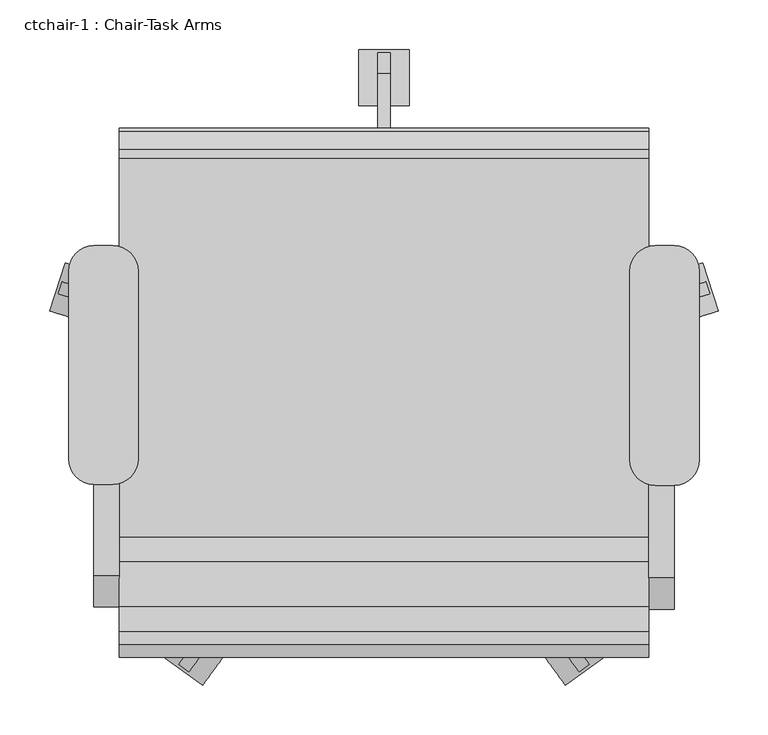
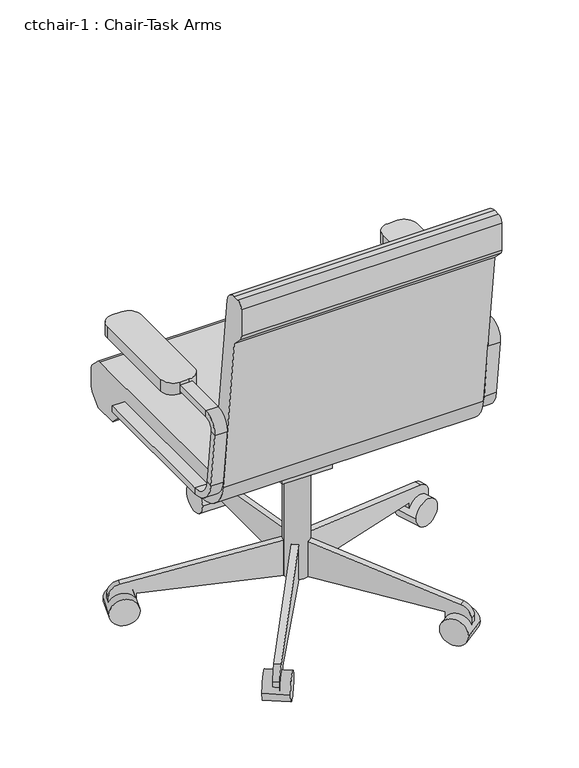
"""IFC4 building model written with IfcOpenShell, lengths in millimetres: furniture geometry, ctchair-1 : Chair-Task Arms."""

import ifcopenshell
import ifcopenshell.guid

model = None  # the IFC model being written
_history = None  # IfcOwnerHistory: only IFC2X3 demands one
_inside = {}  # id of a spatial element -> (the spatial element, [elements in it])
_under = {}  # id of a project, library or spatial element -> (it, [spatial elements below it])
_declared = {}  # id of a project -> (the project, [libraries it declares])
_typed = {}  # id of a type object -> (the type object, [elements of that type])
_made_of = {}  # id of a material, layer set ... -> (it, [elements and type objects made of it])


def new_model(schema):
    """Start an empty IFC model of exactly this schema.

    Asked for "IFC4X3", IfcOpenShell would pick the latest addendum, in which some entities
    have other attributes; the version numbers below select the first issue.
    IFC2X3 requires an IfcOwnerHistory on every rooted entity: one is made here for all.
    """
    global model, _history
    if schema == "IFC4X3":
        model = ifcopenshell.file(schema_version=(4, 3, 0, 0))
    else:
        model = ifcopenshell.file(schema=schema)
    _inside.clear()
    _under.clear()
    _declared.clear()
    _typed.clear()
    _made_of.clear()
    _history = None
    if model.schema == "IFC2X3":
        org = make("IfcOrganization", Name="unknown")
        user = make(
            "IfcPersonAndOrganization",
            ThePerson=make("IfcPerson", FamilyName="unknown"),
            TheOrganization=org,
        )
        app = make(
            "IfcApplication",
            ApplicationDeveloper=org,
            Version="unknown",
            ApplicationFullName="unknown",
            ApplicationIdentifier="unknown",
        )
        _history = make(
            "IfcOwnerHistory",
            OwningUser=user,
            OwningApplication=app,
            ChangeAction="ADDED",
            CreationDate=0,
        )
    return model


def make(cls, **values):
    """One entity of the class cls with the attributes given. An attribute that is None is left unset."""
    return model.create_entity(
        cls, **{name: value for name, value in values.items() if value is not None}
    )


def rooted(cls, **values):
    """An entity with a GlobalId (a new one), such as an element, a storey or a relation."""
    return make(cls, GlobalId=ifcopenshell.guid.new(), OwnerHistory=_history, **values)


def si_unit(unit_type, name, prefix=None):
    """IfcSIUnit, for example si_unit("LENGTHUNIT", "METRE", prefix="MILLI")."""
    return make("IfcSIUnit", UnitType=unit_type, Prefix=prefix, Name=name)


def assignment(units):
    """IfcUnitAssignment: the units of a project."""
    return None if units is None else make("IfcUnitAssignment", Units=units)


def point(xyz):
    """IfcCartesianPoint."""
    return None if xyz is None else make("IfcCartesianPoint", Coordinates=xyz)


def direction(xyz):
    """IfcDirection."""
    return None if xyz is None else make("IfcDirection", DirectionRatios=xyz)


def frame(location, z_axis=None, x_axis=None):
    """IfcAxis2Placement3D, a coordinate frame: its origin and axes. An axis left out is left unset."""
    return make(
        "IfcAxis2Placement3D",
        Location=point(location),
        Axis=direction(z_axis),
        RefDirection=direction(x_axis),
    )


def frame_2d(location, x_axis=None):
    """IfcAxis2Placement2D, a coordinate frame in the plane: its origin and x axis."""
    return make(
        "IfcAxis2Placement2D", Location=point(location), RefDirection=direction(x_axis)
    )


def origin():
    """The frame at (0, 0, 0) with its axes left unset."""
    return frame((0.0, 0.0, 0.0))


def place(relative_to, where):
    """IfcLocalPlacement: puts the frame where relative to a parent placement (None: the world)."""
    return make(
        "IfcLocalPlacement", PlacementRelTo=relative_to, RelativePlacement=where
    )


def context(
    kind, dimensions, precision=None, world=None, true_north=None, identifier=None
):
    """IfcGeometricRepresentationContext, for example the 3D "Model" context."""
    return make(
        "IfcGeometricRepresentationContext",
        ContextIdentifier=identifier,
        ContextType=kind,
        CoordinateSpaceDimension=dimensions,
        Precision=precision,
        WorldCoordinateSystem=world,
        TrueNorth=true_north,
    )


def project(units=None, contexts=None):
    """IfcProject with its units and contexts."""
    return rooted(
        "IfcProject",
        Name="project",
        RepresentationContexts=contexts,
        UnitsInContext=assignment(units),
    )


def spatial(cls, under=None, at=None, **own):
    """A site, building, storey or space (cls), placed at a placement, below another one or the project."""
    s = rooted(cls, ObjectPlacement=at, **own)
    if under is not None:
        _under.setdefault(under.id(), (under, []))[1].append(s)
    return s


def polyline(points):
    """IfcPolyline through the points."""
    return make("IfcPolyline", Points=[point(p) for p in points])


def circle_curve(where, radius):
    """IfcCircle in the frame where."""
    return make("IfcCircle", Position=where, Radius=radius)


def trimmed(basis, trim1, trim2, sense, master):
    """IfcTrimmedCurve: the piece of a basis curve between two trims."""
    return make(
        "IfcTrimmedCurve",
        BasisCurve=basis,
        Trim1=trim1,
        Trim2=trim2,
        SenseAgreement=sense,
        MasterRepresentation=master,
    )


def segment(curve, same_sense, transition):
    """IfcCompositeCurveSegment."""
    return make(
        "IfcCompositeCurveSegment",
        Transition=transition,
        SameSense=same_sense,
        ParentCurve=curve,
    )


def composite_curve(segments, self_intersect=None):
    """IfcCompositeCurve: segments joined end to end."""
    return make("IfcCompositeCurve", Segments=segments, SelfIntersect=self_intersect)


def outline(outer, holes=None, kind="AREA"):
    """IfcArbitraryClosedProfileDef: a profile drawn as a closed curve; with holes, ...WithVoids."""
    if holes is None:
        return make("IfcArbitraryClosedProfileDef", ProfileType=kind, OuterCurve=outer)
    return make(
        "IfcArbitraryProfileDefWithVoids",
        ProfileType=kind,
        OuterCurve=outer,
        InnerCurves=holes,
    )


def extrude(swept, where, along, depth):
    """IfcExtrudedAreaSolid: the profile swept, set in the frame where, extruded along a direction by depth."""
    return make(
        "IfcExtrudedAreaSolid",
        SweptArea=swept,
        Position=where,
        ExtrudedDirection=direction(along),
        Depth=depth,
    )


def shape(context_of_items, identifier, shape_type, items):
    """IfcShapeRepresentation: the items that make up one representation, for example the "Body"."""
    return make(
        "IfcShapeRepresentation",
        ContextOfItems=context_of_items,
        RepresentationIdentifier=identifier,
        RepresentationType=shape_type,
        Items=items,
    )


def source(mapping_origin, context_of_items, identifier, shape_type, items):
    """IfcRepresentationMap: a shape defined once, which mapped items show again and again."""
    return make(
        "IfcRepresentationMap",
        MappingOrigin=mapping_origin,
        MappedRepresentation=shape(context_of_items, identifier, shape_type, items),
    )


def transform(
    local_origin,
    x_axis=None,
    y_axis=None,
    z_axis=None,
    scale=None,
    scale2=None,
    scale3=None,
    uniform=True,
):
    """IfcCartesianTransformationOperator3D, or its non-uniform kind. x_axis, y_axis, z_axis: its Axis1, 2, 3."""
    if uniform:
        return make(
            "IfcCartesianTransformationOperator3D",
            Axis1=direction(x_axis),
            Axis2=direction(y_axis),
            LocalOrigin=point(local_origin),
            Scale=scale,
            Axis3=direction(z_axis),
        )
    return make(
        "IfcCartesianTransformationOperator3DnonUniform",
        Axis1=direction(x_axis),
        Axis2=direction(y_axis),
        LocalOrigin=point(local_origin),
        Scale=scale,
        Axis3=direction(z_axis),
        Scale2=scale2,
        Scale3=scale3,
    )


def mapped(mapping_source, mapping_target):
    """IfcMappedItem: shows the shape of a source again, moved by a transform."""
    return make(
        "IfcMappedItem", MappingSource=mapping_source, MappingTarget=mapping_target
    )


def made_of(thing, what):
    """Note that an element or type object is made of a material, layer set ...; save() writes the relation."""
    if what is not None:
        _made_of.setdefault(what.id(), (what, []))[1].append(thing)
    return thing


def element(
    cls,
    number,
    at=None,
    inside=None,
    cuts=None,
    type_object=None,
    material=None,
    context=None,
    identifier="Body",
    shape_type=None,
    held_by="IfcProductDefinitionShape",
    body=None,
    shapes=None,
    **own,
):
    """One element of the class cls, such as IfcWall. Its Tag is "e" and its number.

    at: its placement. inside: the storey or other place that contains it. cuts: it is an
    opening in that element (IfcRelVoidsElement). A single representation is given by context,
    identifier, shape_type and body (its items); several are given by shapes. held_by: the class
    of the entity that holds the representations. save() writes the other relations.
    """
    e = rooted(cls, Tag="e%d" % number, ObjectPlacement=at, **own)
    if body is not None:
        shapes = [shape(context, identifier, shape_type, body)]
    if shapes is not None:
        e.Representation = make(held_by, Representations=shapes)
    if inside is not None:
        _inside.setdefault(inside.id(), (inside, []))[1].append(e)
    if cuts is not None:
        rooted(
            "IfcRelVoidsElement", RelatingBuildingElement=cuts, RelatedOpeningElement=e
        )
    if type_object is not None:
        _typed.setdefault(type_object.id(), (type_object, []))[1].append(e)
    return made_of(e, material)


def aggregate(whole, parts):
    """IfcRelAggregates: a whole, such as a stair, and the parts it consists of."""
    return rooted("IfcRelAggregates", RelatingObject=whole, RelatedObjects=parts)


def save(model, path):
    """Write the relations noted so far, then the file.

    IfcRelAggregates (storeys below a building ...), IfcRelContainedInSpatialStructure (elements
    in a storey), IfcRelDefinesByType, IfcRelAssociatesMaterial and IfcRelDeclares: one each for
    every whole, place, type object, material and project.
    """
    for whole, parts in _under.values():
        aggregate(whole, parts)
    for where, things in _inside.values():
        rooted(
            "IfcRelContainedInSpatialStructure",
            RelatedElements=things,
            RelatingStructure=where,
        )
    for kind, things in _typed.values():
        rooted("IfcRelDefinesByType", RelatedObjects=things, RelatingType=kind)
    for what, things in _made_of.values():
        rooted("IfcRelAssociatesMaterial", RelatedObjects=things, RelatingMaterial=what)
    for by, libraries in _declared.values():
        rooted("IfcRelDeclares", RelatingContext=by, RelatedDefinitions=libraries)
    model.write(path)


def plane_surface(at):
    """IfcPlane: the flat surface through the origin of the frame at, square to its z axis."""
    return make("IfcPlane", Position=at)


def cylinder_surface(at, radius):
    """IfcCylindricalSurface: all points at the distance radius from the z axis of the frame at."""
    return make("IfcCylindricalSurface", Position=at, Radius=radius)


def revolved_surface(curve, axis_point, axis_direction):
    """IfcSurfaceOfRevolution: the curve turned about the line through axis_point along axis_direction."""
    return make(
        "IfcSurfaceOfRevolution",
        SweptCurve=make("IfcArbitraryOpenProfileDef", ProfileType="CURVE", Curve=curve),
        AxisPosition=make("IfcAxis1Placement", Location=point(axis_point), Axis=direction(axis_direction)),
    )


def advanced_brep(points, edges, surfaces, faces):
    """IfcAdvancedBrep: a solid bounded by faces that lie on surfaces and meet in shared edges.

    An edge is (start, end): straight between two places in points (the first is 0);
    or (start, end, curve); or (start, end, curve, False) where it runs against its curve.
    A face is (place in surfaces, loops), or (place, loops, False) where it looks against
    its surface's normal. A loop lists edges by number (the first is 1), with a minus sign
    where the edge is run from its end to its start. The first loop is the outer one.
    """
    corners = [point(p) for p in points]
    vertices = [make("IfcVertexPoint", VertexGeometry=c) for c in corners]
    made = []
    for start, end, *more in edges:
        made.append(
            make(
                "IfcEdgeCurve",
                EdgeStart=vertices[start],
                EdgeEnd=vertices[end],
                EdgeGeometry=more[0] if more else make("IfcPolyline", Points=[corners[start], corners[end]]),
                SameSense=more[1] if len(more) > 1 else True,
            )
        )
    hull = []
    for where, loops, *sense in faces:
        bounds = []
        for j, loop in enumerate(loops):
            ring = [make("IfcOrientedEdge", EdgeElement=made[abs(k) - 1], Orientation=k > 0) for k in loop]
            bounds.append(
                make(
                    "IfcFaceOuterBound" if j == 0 else "IfcFaceBound",
                    Bound=make("IfcEdgeLoop", EdgeList=ring),
                    Orientation=True,
                )
            )
        hull.append(make("IfcAdvancedFace", Bounds=bounds, FaceSurface=surfaces[where], SameSense=sense[0] if sense else True))
    return make("IfcAdvancedBrep", Outer=make("IfcClosedShell", CfsFaces=hull))


def ctchair_1_chair_task_arms_3b363349(model_context):
    return source(origin(), model_context, "Body", "SolidModel", [
        extrude(outline(composite_curve([segment(polyline([(433.0908197, -74.2028048), (414.0408197, -74.2028048)]), True, "CONTINUOUS"), segment(trimmed(circle_curve(frame_2d((414.0408197, -48.8028048)), 25.4), [point((414.0408197, -74.2028048))], [point((388.6408197, -48.8028048))], False, "CARTESIAN"), True, "CONTINUOUS"), segment(polyline([(388.6408197, -48.8028048), (388.6408197, 141.6319091)]), True, "CONTINUOUS"), segment(trimmed(circle_curve(frame_2d((414.0408197, 141.6319091)), 25.4), [point((388.6408197, 141.6319091))], [point((414.0408197, 167.0319091))], False, "CARTESIAN"), True, "CONTINUOUS"), segment(polyline([(414.0408197, 167.0319091), (433.0908197, 167.0319091)]), True, "CONTINUOUS"), segment(trimmed(circle_curve(frame_2d((433.0908197, 141.6319091)), 25.4), [point((433.0908197, 167.0319091))], [point((458.4908197, 141.6319091))], False, "CARTESIAN"), True, "CONTINUOUS"), segment(polyline([(458.4908197, 141.6319091), (458.4908197, -48.8028048)]), True, "CONTINUOUS"), segment(trimmed(circle_curve(frame_2d((433.0908197, -48.8028048)), 25.4), [point((458.4908197, -48.8028048))], [point((433.0908197, -74.2028048))], False, "CARTESIAN"), True, "CONTINUOUS")], self_intersect=False)), frame((0.0, 0.0, 596.9), z_axis=(0.0, 0.0, 1.0), x_axis=(1.0, 0.0, 0.0)), (0.0, 0.0, 1.0), 25.4),
        extrude(outline(composite_curve([segment(polyline([(-132.0591803, -73.1575984), (-151.1091803, -73.1575984)]), True, "CONTINUOUS"), segment(trimmed(circle_curve(frame_2d((-151.1091803, -47.7575984)), 25.4), [point((-151.1091803, -73.1575984))], [point((-176.5091803, -47.7575984))], False, "CARTESIAN"), True, "CONTINUOUS"), segment(polyline([(-176.5091803, -47.7575984), (-176.5091803, 141.6319091)]), True, "CONTINUOUS"), segment(trimmed(circle_curve(frame_2d((-151.1091803, 141.6319091)), 25.4), [point((-176.5091803, 141.6319091))], [point((-151.1091803, 167.0319091))], False, "CARTESIAN"), True, "CONTINUOUS"), segment(polyline([(-151.1091803, 167.0319091), (-132.0591803, 167.0319091)]), True, "CONTINUOUS"), segment(trimmed(circle_curve(frame_2d((-132.0591803, 141.6319091)), 25.4), [point((-132.0591803, 167.0319091))], [point((-106.6591803, 141.6319091))], False, "CARTESIAN"), True, "CONTINUOUS"), segment(polyline([(-106.6591803, 141.6319091), (-106.6591803, -47.7575984)]), True, "CONTINUOUS"), segment(trimmed(circle_curve(frame_2d((-132.0591803, -47.7575984)), 25.4), [point((-106.6591803, -47.7575984))], [point((-132.0591803, -73.1575984))], False, "CARTESIAN"), True, "CONTINUOUS")], self_intersect=False)), frame((0.0, 0.0, 596.9), z_axis=(0.0, 0.0, 1.0), x_axis=(1.0, 0.0, 0.0)), (0.0, 0.0, 1.0), 25.4),
        advanced_brep(
        [(-151.1091803, 167.0319091, 412.75), (-151.1091803, 167.0319091, 425.45), (-125.7091803, 167.0319091, 425.45), (-125.7091803, 167.0319091, 412.75), (-151.1091803, -126.2388651, 412.75), (-151.1091803, -126.2388651, 425.45), (-125.7091803, -126.2388651, 425.45), (-125.7091803, -126.2388651, 412.75), (-151.1091803, -170.3844094, 464.7064065), (-151.1091803, -182.9974221, 463.2225227), (-125.7091803, -170.3844094, 464.7064065), (-125.7091803, -182.9974221, 463.2225227), (-151.1091803, -196.7936301, 580.4902904), (-151.1091803, -184.1806174, 581.9741742), (-125.7091803, -184.1806174, 581.9741742), (-125.7091803, -196.7936301, 580.4902904), (-151.1091803, -165.2610984, 603.25), (-151.1091803, -165.2610984, 615.95), (-125.7091803, -165.2610984, 603.25), (-125.7091803, -165.2610984, 615.95), (-151.1091803, 18.9459016, 615.95), (-125.7091803, 18.9459016, 615.95), (-125.7091803, 18.9459016, 603.25), (-151.1091803, 18.9459016, 603.25)],
        [
            (0, 1),
            (1, 2),
            (2, 3),
            (3, 0),
            (0, 4),
            (4, 5),
            (5, 1),
            (5, 6),
            (6, 2),
            (6, 7),
            (7, 3),
            (7, 4),
            (8, 5, circle_curve(frame((-151.1091803, -126.2388651, 469.9), z_axis=(1.0, 0.0, 0.0), x_axis=(0.0, 0.0, -1.0)), 44.45)),
            (4, 9, circle_curve(frame((-151.1091803, -126.2388651, 469.9), z_axis=(-1.0, 0.0, 0.0), x_axis=(0.0, 0.0, -1.0)), 57.15)),
            (9, 8),
            (10, 6, circle_curve(frame((-125.7091803, -126.2388651, 469.9), z_axis=(1.0, 0.0, 0.0), x_axis=(0.0, 0.0, -1.0)), 44.45)),
            (8, 10),
            (11, 7, circle_curve(frame((-125.7091803, -126.2388651, 469.9), z_axis=(1.0, 0.0, 0.0), x_axis=(0.0, 0.0, -1.0)), 57.15)),
            (10, 11),
            (11, 9),
            (9, 12),
            (12, 13),
            (13, 8),
            (13, 14),
            (14, 10),
            (14, 15),
            (15, 11),
            (15, 12),
            (16, 13, circle_curve(frame((-151.1091803, -165.2610984, 584.2), z_axis=(1.0, 0.0, 0.0), x_axis=(0.0, -0.9931506043228768, -0.11684124756739202)), 19.05)),
            (12, 17, circle_curve(frame((-151.1091803, -165.2610984, 584.2), z_axis=(-1.0, 0.0, 0.0), x_axis=(0.0, -0.9931506043228768, -0.11684124756739202)), 31.75)),
            (17, 16),
            (18, 14, circle_curve(frame((-125.7091803, -165.2610984, 584.2), z_axis=(1.0, 0.0, 0.0), x_axis=(0.0, -0.9931506043228768, -0.11684124756739202)), 19.05)),
            (16, 18),
            (19, 15, circle_curve(frame((-125.7091803, -165.2610984, 584.2), z_axis=(1.0, 0.0, 0.0), x_axis=(0.0, -0.9931506043228768, -0.11684124756739202)), 31.75)),
            (18, 19),
            (19, 17),
            (20, 21),
            (21, 22),
            (22, 23),
            (23, 20),
            (17, 20),
            (23, 16),
            (22, 18),
            (21, 19),
        ],
        [
            plane_surface(frame((-152.608212, 167.0319091, 419.1), z_axis=(0.0, 1.0, 0.0), x_axis=(0.0, 0.0, -1.0))),
            plane_surface(frame((-151.1091803, 167.0319091, 412.75), z_axis=(-1.0, 0.0, 0.0), x_axis=(0.0, -1.0, 0.0))),
            plane_surface(frame((-151.1091803, 167.0319091, 425.45), z_axis=(0.0, 0.0, 1.0), x_axis=(0.0, -1.0, 0.0))),
            plane_surface(frame((-125.7091803, 167.0319091, 425.45), z_axis=(1.0, 0.0, 0.0), x_axis=(0.0, -1.0, 0.0))),
            plane_surface(frame((-125.7091803, 167.0319091, 412.75), z_axis=(0.0, 0.0, -1.0), x_axis=(0.0, -1.0, 0.0))),
            plane_surface(frame((-151.1091803, -126.2388651, 469.9), z_axis=(-1.0, 0.0, 0.0), x_axis=(0.0, 0.0, -1.0))),
            revolved_surface(polyline([(-151.1091803, -126.2388651, 425.45), (-125.7091803, -126.2388651, 425.45)]), (-138.4091803, -126.2388651, 469.9), (-1.0, 0.0, 0.0)),
            plane_surface(frame((-125.7091803, -126.2388651, 469.9), z_axis=(1.0, 0.0, 0.0), x_axis=(0.0, 0.0, -1.0))),
            cylinder_surface(frame((-138.4091803, -126.2388651, 469.9), z_axis=(-1.0, 0.0, 0.0), x_axis=(0.0, 0.0, -1.0)), 57.15),
            plane_surface(frame((-151.1091803, -182.9974221, 463.2225227), z_axis=(-1.0, 0.0, 0.0), x_axis=(0.0, -0.1168412475673856, 0.9931506043228776))),
            plane_surface(frame((-151.1091803, -170.3844094, 464.7064065), z_axis=(0.0, 0.9931506043228776, 0.1168412475673856), x_axis=(0.0, -0.1168412475673856, 0.9931506043228776))),
            plane_surface(frame((-125.7091803, -170.3844094, 464.7064065), z_axis=(1.0, 0.0, 0.0), x_axis=(0.0, -0.1168412475673856, 0.9931506043228776))),
            plane_surface(frame((-125.7091803, -182.9974221, 463.2225227), z_axis=(0.0, -0.9931506043228776, -0.1168412475673856), x_axis=(0.0, -0.1168412475673856, 0.9931506043228776))),
            plane_surface(frame((-151.1091803, -165.2610984, 584.2), z_axis=(-1.0, 0.0, 0.0), x_axis=(0.0, -0.9931506043228768, -0.11684124756739202))),
            revolved_surface(polyline([(-151.1091803, -184.1806174123508, 581.9741742338413), (-125.7091803, -184.1806174123508, 581.9741742338413)]), (-138.4091803, -165.2610984, 584.2), (-1.0, 0.0, 0.0)),
            plane_surface(frame((-125.7091803, -165.2610984, 584.2), z_axis=(1.0, 0.0, 0.0), x_axis=(0.0, -0.9931506043228768, -0.11684124756739202))),
            cylinder_surface(frame((-138.4091803, -165.2610984, 584.2), z_axis=(-1.0, 0.0, 0.0), x_axis=(0.0, -0.9931506043228768, -0.11684124756739202)), 31.75),
            plane_surface(frame((-152.608212, 18.9459016, 609.6), z_axis=(0.0, 1.0, 0.0), x_axis=(0.0, 0.0, 1.0))),
            plane_surface(frame((-151.1091803, -165.2610984, 615.95), z_axis=(-1.0, 0.0, 0.0), x_axis=(0.0, 1.0, 0.0))),
            plane_surface(frame((-151.1091803, -165.2610984, 603.25), z_axis=(0.0, 0.0, -1.0), x_axis=(0.0, 1.0, 0.0))),
            plane_surface(frame((-125.7091803, -165.2610984, 603.25), z_axis=(1.0, 0.0, 0.0), x_axis=(0.0, 1.0, 0.0))),
            plane_surface(frame((-125.7091803, -165.2610984, 615.95), z_axis=(0.0, 0.0, 1.0), x_axis=(0.0, 1.0, 0.0))),
        ],
        [
            (0, [[1, 2, 3, 4]]),
            (1, [[-1, 5, 6, 7]]),
            (2, [[-2, -7, 8, 9]]),
            (3, [[-3, -9, 10, 11]]),
            (4, [[-4, -11, 12, -5]]),
            (5, [[13, -6, 14, 15]]),
            (6, [[16, -8, -13, 17]]),
            (7, [[18, -10, -16, 19]]),
            (8, [[-14, -12, -18, 20]]),
            (9, [[-15, 21, 22, 23]]),
            (10, [[-17, -23, 24, 25]]),
            (11, [[-19, -25, 26, 27]]),
            (12, [[-20, -27, 28, -21]]),
            (13, [[29, -22, 30, 31]]),
            (14, [[32, -24, -29, 33]]),
            (15, [[34, -26, -32, 35]]),
            (16, [[-30, -28, -34, 36]]),
            (17, [[37, 38, 39, 40]]),
            (18, [[-31, 41, -40, 42]]),
            (19, [[-33, -42, -39, 43]]),
            (20, [[-35, -43, -38, 44]]),
            (21, [[-36, -44, -37, -41]]),
        ],
    ),
        advanced_brep(
        [(433.0908197, 167.0319091, 425.45), (433.0908197, 167.0319091, 412.75), (407.6908197, 167.0319091, 412.75), (407.6908197, 167.0319091, 425.45), (433.0908197, -128.329278, 425.45), (433.0908197, -128.329278, 412.75), (407.6908197, -128.329278, 412.75), (407.6908197, -128.329278, 425.45), (433.0908197, -185.0878351, 463.2225227), (433.0908197, -172.4748224, 464.7064065), (407.6908197, -185.0878351, 463.2225227), (407.6908197, -172.4748224, 464.7064065), (433.0908197, -186.2710303, 581.9741742), (433.0908197, -198.884043, 580.4902904), (407.6908197, -198.884043, 580.4902904), (407.6908197, -186.2710303, 581.9741742), (433.0908197, -167.3515113, 615.95), (433.0908197, -167.3515113, 603.25), (407.6908197, -167.3515113, 615.95), (407.6908197, -167.3515113, 603.25), (433.0908197, 18.9459016, 603.25), (407.6908197, 18.9459016, 603.25), (407.6908197, 18.9459016, 615.95), (433.0908197, 18.9459016, 615.95)],
        [
            (0, 1),
            (1, 2),
            (2, 3),
            (3, 0),
            (0, 4),
            (4, 5),
            (5, 1),
            (5, 6),
            (6, 2),
            (6, 7),
            (7, 3),
            (7, 4),
            (8, 5, circle_curve(frame((433.0908197, -128.329278, 469.9), z_axis=(1.0, 0.0, 0.0), x_axis=(0.0, 0.0, -1.0)), 57.15)),
            (4, 9, circle_curve(frame((433.0908197, -128.329278, 469.9), z_axis=(-1.0, 0.0, 0.0), x_axis=(0.0, 0.0, -1.0)), 44.45)),
            (9, 8),
            (10, 6, circle_curve(frame((407.6908197, -128.329278, 469.9), z_axis=(1.0, 0.0, 0.0), x_axis=(0.0, 0.0, -1.0)), 57.15)),
            (8, 10),
            (11, 7, circle_curve(frame((407.6908197, -128.329278, 469.9), z_axis=(1.0, 0.0, 0.0), x_axis=(0.0, 0.0, -1.0)), 44.45)),
            (10, 11),
            (11, 9),
            (9, 12),
            (12, 13),
            (13, 8),
            (13, 14),
            (14, 10),
            (14, 15),
            (15, 11),
            (15, 12),
            (16, 13, circle_curve(frame((433.0908197, -167.3515113, 584.2), z_axis=(1.0, 0.0, 0.0), x_axis=(0.0, -0.9931506043228767, -0.1168412475673929)), 31.75)),
            (12, 17, circle_curve(frame((433.0908197, -167.3515113, 584.2), z_axis=(-1.0, 0.0, 0.0), x_axis=(0.0, -0.9931506043228767, -0.1168412475673929)), 19.05)),
            (17, 16),
            (18, 14, circle_curve(frame((407.6908197, -167.3515113, 584.2), z_axis=(1.0, 0.0, 0.0), x_axis=(0.0, -0.9931506043228767, -0.1168412475673929)), 31.75)),
            (16, 18),
            (19, 15, circle_curve(frame((407.6908197, -167.3515113, 584.2), z_axis=(1.0, 0.0, 0.0), x_axis=(0.0, -0.9931506043228767, -0.1168412475673929)), 19.05)),
            (18, 19),
            (19, 17),
            (20, 21),
            (21, 22),
            (22, 23),
            (23, 20),
            (17, 20),
            (23, 16),
            (22, 18),
            (21, 19),
        ],
        [
            plane_surface(frame((406.191788, 167.0319091, 419.1), z_axis=(0.0, 1.0, 0.0), x_axis=(0.0, 0.0, -1.0))),
            plane_surface(frame((433.0908197, 167.0319091, 425.45), z_axis=(1.0, 0.0, 0.0), x_axis=(0.0, -1.0, 0.0))),
            plane_surface(frame((433.0908197, 167.0319091, 412.75), z_axis=(0.0, 0.0, -1.0), x_axis=(0.0, -1.0, 0.0))),
            plane_surface(frame((407.6908197, 167.0319091, 412.75), z_axis=(-1.0, 0.0, 0.0), x_axis=(0.0, -1.0, 0.0))),
            plane_surface(frame((407.6908197, 167.0319091, 425.45), z_axis=(0.0, 0.0, 1.0), x_axis=(0.0, -1.0, 0.0))),
            plane_surface(frame((433.0908197, -128.329278, 469.9), z_axis=(1.0, 0.0, 0.0), x_axis=(0.0, 0.0, -1.0))),
            cylinder_surface(frame((420.3908197, -128.329278, 469.9), z_axis=(-1.0, 0.0, 0.0), x_axis=(0.0, 0.0, -1.0)), 57.15),
            plane_surface(frame((407.6908197, -128.329278, 469.9), z_axis=(-1.0, 0.0, 0.0), x_axis=(0.0, 0.0, -1.0))),
            revolved_surface(polyline([(407.6908197, -128.329278, 425.45), (433.0908197, -128.329278, 425.45)]), (420.3908197, -128.329278, 469.9), (-1.0, 0.0, 0.0)),
            plane_surface(frame((433.0908197, -172.4748224, 464.7064065), z_axis=(1.0, 0.0, 0.0), x_axis=(0.0, -0.11684124756738626, 0.9931506043228775))),
            plane_surface(frame((433.0908197, -185.0878351, 463.2225227), z_axis=(0.0, -0.9931506043228775, -0.11684124756738619), x_axis=(0.0, -0.11684124756738619, 0.9931506043228775))),
            plane_surface(frame((407.6908197, -185.0878351, 463.2225227), z_axis=(-1.0, 0.0, 0.0), x_axis=(0.0, -0.11684124756738619, 0.9931506043228775))),
            plane_surface(frame((407.6908197, -172.4748224, 464.7064065), z_axis=(0.0, 0.9931506043228775, 0.11684124756738626), x_axis=(0.0, -0.11684124756738626, 0.9931506043228775))),
            plane_surface(frame((433.0908197, -167.3515113, 584.2), z_axis=(1.0, 0.0, 0.0), x_axis=(0.0, -0.9931506043228767, -0.1168412475673929))),
            cylinder_surface(frame((420.3908197, -167.3515113, 584.2), z_axis=(-1.0, 0.0, 0.0), x_axis=(0.0, -0.9931506043228767, -0.1168412475673929)), 31.75),
            plane_surface(frame((407.6908197, -167.3515113, 584.2), z_axis=(-1.0, 0.0, 0.0), x_axis=(0.0, -0.9931506043228767, -0.1168412475673929))),
            revolved_surface(polyline([(407.6908197, -186.2710303123508, 581.9741742338412), (433.0908197, -186.2710303123508, 581.9741742338412)]), (420.3908197, -167.3515113, 584.2), (-1.0, 0.0, 0.0)),
            plane_surface(frame((406.191788, 18.9459016, 609.6), z_axis=(0.0, 1.0, 0.0), x_axis=(0.0, 0.0, 1.0))),
            plane_surface(frame((433.0908197, -167.3515113, 603.25), z_axis=(1.0, 0.0, 0.0), x_axis=(0.0, 1.0, 0.0))),
            plane_surface(frame((433.0908197, -167.3515113, 615.95), z_axis=(0.0, 0.0, 1.0), x_axis=(0.0, 1.0, 0.0))),
            plane_surface(frame((407.6908197, -167.3515113, 615.95), z_axis=(-1.0, 0.0, 0.0), x_axis=(0.0, 1.0, 0.0))),
            plane_surface(frame((407.6908197, -167.3515113, 603.25), z_axis=(0.0, 0.0, -1.0), x_axis=(0.0, 1.0, 0.0))),
        ],
        [
            (0, [[1, 2, 3, 4]]),
            (1, [[-1, 5, 6, 7]]),
            (2, [[-2, -7, 8, 9]]),
            (3, [[-3, -9, 10, 11]]),
            (4, [[-4, -11, 12, -5]]),
            (5, [[13, -6, 14, 15]]),
            (6, [[16, -8, -13, 17]]),
            (7, [[18, -10, -16, 19]]),
            (8, [[-14, -12, -18, 20]]),
            (9, [[-15, 21, 22, 23]]),
            (10, [[-17, -23, 24, 25]]),
            (11, [[-19, -25, 26, 27]]),
            (12, [[-20, -27, 28, -21]]),
            (13, [[29, -22, 30, 31]]),
            (14, [[32, -24, -29, 33]]),
            (15, [[34, -26, -32, 35]]),
            (16, [[-30, -28, -34, 36]]),
            (17, [[37, 38, 39, 40]]),
            (18, [[-31, 41, -40, 42]]),
            (19, [[-33, -42, -39, 43]]),
            (20, [[-35, -43, -38, 44]]),
            (21, [[-36, -44, -37, -41]]),
        ],
    ),
        extrude(outline(composite_curve([segment(trimmed(circle_curve(frame_2d((140.9908197, 18.9459016)), 25.4), [point((115.5908197, 18.9459016))], [point((166.3908197, 18.9459016))], False, "CARTESIAN"), True, "CONTINUOUS"), segment(trimmed(circle_curve(frame_2d((140.9908197, 18.9459016)), 25.4), [point((166.3908197, 18.9459016))], [point((115.5908197, 18.9459016))], False, "CARTESIAN"), True, "CONTINUOUS")], self_intersect=False)), frame((0.0, 0.0, 53.5835944), z_axis=(0.0, 0.0, 1.0), x_axis=(1.0, 0.0, 0.0)), (0.0, 0.0, 1.0), 330.5914056),
        extrude(outline(composite_curve([segment(trimmed(circle_curve(frame_2d((0.0, -28.2002727)), 28.2002727), [point((0.0, -56.4005455))], [point((0.0, 0.0))], False, "CARTESIAN"), True, "CONTINUOUS"), segment(trimmed(circle_curve(frame_2d((0.0, -28.2002727)), 28.2002727), [point((0.0, 0.0))], [point((0.0, -56.4005455))], False, "CARTESIAN"), True, "CONTINUOUS")], self_intersect=False)), frame((477.6203484, 101.6163254, 28.1835944), z_axis=(-0.3090169943749423, 0.9510565162951553, 0.0), x_axis=(0.0, 0.0, 1.0)), (0.0, 0.0, 1.0), 50.8),
        extrude(outline(composite_curve([segment(polyline([(-25.4, 0.0), (0.0, 0.0), (0.0, -50.8), (-24.303053, -50.8)]), True, "CONTINUOUS"), segment(trimmed(circle_curve(frame_2d((-24.303053, -25.4)), 25.4), [point((-24.303053, -50.8))], [point((-49.3171699, -29.8106637))], False, "CARTESIAN"), True, "CONTINUOUS"), segment(polyline([(-49.3171699, -29.8106637), (-101.6, 266.7), (-101.6, 292.1), (-25.4, 292.1), (-25.4, 0.0)]), True, "CONTINUOUS")], self_intersect=False)), frame((420.756686, 103.1705568, 28.1835944), z_axis=(-0.3090169943749423, 0.9510565162951553, 0.0), x_axis=(0.0, 0.0, -1.0)), (0.0, 0.0, 1.0), 12.7),
        extrude(outline(composite_curve([segment(trimmed(circle_curve(frame_2d((0.0, -28.2002727)), 28.2002727), [point((0.0, -56.4005455))], [point((0.0, 0.0))], False, "CARTESIAN"), True, "CONTINUOUS"), segment(trimmed(circle_curve(frame_2d((0.0, -28.2002727)), 28.2002727), [point((0.0, 0.0))], [point((0.0, -56.4005455))], False, "CARTESIAN"), True, "CONTINUOUS")], self_intersect=False)), frame((323.63931, -275.6612394, 28.1835944), z_axis=(0.8090169943749499, 0.5877852522924699, 0.0), x_axis=(0.0, 0.0, 1.0)), (0.0, 0.0, 1.0), 50.8),
        extrude(outline(composite_curve([segment(polyline([(-25.4, 0.0), (0.0, 0.0), (0.0, -50.8), (-24.303053, -50.8)]), True, "CONTINUOUS"), segment(trimmed(circle_curve(frame_2d((-24.303053, -25.3999999)), 25.4), [point((-24.303053, -50.8))], [point((-49.3171699, -29.8106636))], False, "CARTESIAN"), True, "CONTINUOUS"), segment(polyline([(-49.3171699, -29.8106636), (-101.6, 266.7), (-101.6, 292.1), (-25.4, 292.1), (-25.4, 0.0)]), True, "CONTINUOUS")], self_intersect=False)), frame((307.545634, -221.1003988, 28.1835944), z_axis=(0.8090169943749499, 0.5877852522924699, 0.0), x_axis=(0.0, 0.0, -1.0)), (0.0, 0.0, 1.0), 12.7),
        extrude(outline(composite_curve([segment(trimmed(circle_curve(frame_2d((0.0, -28.2002727)), 28.2002727), [point((0.0, -56.4005455))], [point((0.0, 0.0))], False, "CARTESIAN"), True, "CONTINUOUS"), segment(trimmed(circle_curve(frame_2d((0.0, -28.2002727)), 28.2002727), [point((0.0, 0.0))], [point((0.0, -56.4005455))], False, "CARTESIAN"), True, "CONTINUOUS")], self_intersect=False)), frame((-41.6576707, -275.6612394, 28.1835944), z_axis=(-0.8090169943749458, 0.5877852522924754, 0.0), x_axis=(0.0, 0.0, -1.0)), (0.0, 0.0, 1.0), 50.8),
        extrude(outline(composite_curve([segment(polyline([(25.4, 0.0), (25.4, 292.1), (101.6, 292.1), (101.6, 266.7), (49.3171699, -29.8106637)]), True, "CONTINUOUS"), segment(trimmed(circle_curve(frame_2d((24.303053, -25.3999999)), 25.4), [point((49.3171699, -29.8106637))], [point((24.303053, -50.8))], False, "CARTESIAN"), True, "CONTINUOUS"), segment(polyline([(24.303053, -50.8), (0.0, -50.8), (0.0, 0.0), (25.4, 0.0)]), True, "CONTINUOUS")], self_intersect=False)), frame((-25.5639946, -221.1003988, 28.1835944), z_axis=(-0.8090169943749459, 0.5877852522924754, 0.0), x_axis=(0.0, 0.0, 1.0)), (0.0, 0.0, 1.0), 12.7),
        extrude(outline(composite_curve([segment(trimmed(circle_curve(frame_2d((0.0, -28.2002727)), 28.2002727), [point((0.0, -56.4005454))], [point((0.0, 0.0))], False, "CARTESIAN"), True, "CONTINUOUS"), segment(trimmed(circle_curve(frame_2d((0.0, -28.2002727)), 28.2002727), [point((0.0, 0.0))], [point((0.0, -56.4005454))], False, "CARTESIAN"), True, "CONTINUOUS")], self_intersect=False)), frame((-195.638709, 101.6163254, 28.1835944), z_axis=(0.3090169943749487, 0.9510565162951532, 0.0), x_axis=(0.0, 0.0, -1.0)), (0.0, 0.0, 1.0), 50.8),
        extrude(outline(composite_curve([segment(polyline([(25.4, 0.0), (25.4, 292.1000001), (101.6, 292.1000001), (101.6, 266.7), (49.3171699, -29.8106636)]), True, "CONTINUOUS"), segment(trimmed(circle_curve(frame_2d((24.303053, -25.4)), 25.4), [point((49.3171699, -29.8106636))], [point((24.303053, -50.8))], False, "CARTESIAN"), True, "CONTINUOUS"), segment(polyline([(24.303053, -50.8), (0.0, -50.8), (0.0, 0.0), (25.4, 0.0)]), True, "CONTINUOUS")], self_intersect=False)), frame((-138.7750467, 103.1705568, 28.1835944), z_axis=(0.3090169943749487, 0.9510565162951532, 0.0), x_axis=(0.0, 0.0, 1.0)), (0.0, 0.0, 1.0), 12.7),
        extrude(outline(composite_curve([segment(trimmed(circle_curve(frame_2d((336.4459016, 28.1835944)), 28.2002727), [point((308.2456289, 28.1835944))], [point((364.6461744, 28.1835944))], False, "CARTESIAN"), True, "CONTINUOUS"), segment(trimmed(circle_curve(frame_2d((336.4459016, 28.1835944)), 28.2002727), [point((364.6461744, 28.1835944))], [point((308.2456289, 28.1835944))], False, "CARTESIAN"), True, "CONTINUOUS")], self_intersect=False)), frame((115.5908197, 0.0, 0.0), z_axis=(1.0, 0.0, 0.0), x_axis=(0.0, 1.0, 0.0)), (0.0, 0.0, 1.0), 50.8),
        extrude(outline(composite_curve([segment(polyline([(311.0459016, 53.5835944), (18.9459016, 53.5835944), (18.9459016, 129.7835944), (44.3459016, 129.7835944), (340.8565654, 77.5007643)]), True, "CONTINUOUS"), segment(trimmed(circle_curve(frame_2d((336.4459016, 52.4866474)), 25.4), [point((340.8565654, 77.5007643))], [point((361.8459016, 52.4866474))], False, "CARTESIAN"), True, "CONTINUOUS"), segment(polyline([(361.8459016, 52.4866474), (361.8459016, 28.1835944), (311.0459016, 28.1835944), (311.0459016, 53.5835944)]), True, "CONTINUOUS")], self_intersect=False)), frame((134.6408197, 0.0, 0.0), z_axis=(1.0, 0.0, 0.0), x_axis=(0.0, 1.0, 0.0)), (0.0, 0.0, 1.0), 12.7),
        extrude(outline(polyline([(69.7459016, 383.7835944), (69.7459016, 371.0835944), (18.9459016, 283.0954134), (-19.1540984, 283.0954134), (-19.1540984, 383.7835944), (69.7459016, 383.7835944)])), frame((90.1908197, 0.0, 0.0), z_axis=(1.0, 0.0, 0.0), x_axis=(0.0, 1.0, 0.0)), (0.0, 0.0, 1.0), 101.6),
        extrude(outline(composite_curve([segment(polyline([(-126.2050455, 457.2), (255.0102301, 457.2)]), True, "CONTINUOUS"), segment(trimmed(circle_curve(frame_2d((255.0102301, 444.5)), 12.7), [point((255.0102301, 457.2))], [point((263.9604301, 453.510212))], False, "CARTESIAN"), True, "CONTINUOUS"), segment(polyline([(263.9604301, 453.510212), (281.8961016, 435.6939999)]), True, "CONTINUOUS"), segment(trimmed(circle_curve(frame_2d((272.9459016, 426.6837879)), 12.7), [point((281.8961016, 435.6939999))], [point((285.6459016, 426.6837879))], False, "CARTESIAN"), True, "CONTINUOUS"), segment(polyline([(285.6459016, 426.6837879), (285.6459016, 391.6405184)]), True, "CONTINUOUS"), segment(trimmed(circle_curve(frame_2d((260.2459016, 391.6405184)), 25.4), [point((285.6459016, 391.6405184))], [point((278.2663256, 373.7401184))], False, "CARTESIAN"), True, "CONTINUOUS"), segment(polyline([(278.2663256, 373.7401184), (260.2470284, 355.6), (209.4470284, 355.6), (181.0744602, 383.7835944), (-107.1089978, 383.7835944)]), True, "CONTINUOUS"), segment(trimmed(circle_curve(frame_2d((-107.1089978, 459.9835944)), 76.2), [point((-107.1089978, 383.7835944))], [point((-182.7870738, 451.0802913))], False, "CARTESIAN"), True, "CONTINUOUS"), segment(polyline([(-182.7870738, 451.0802913), (-222.3540984, 787.4), (-244.0343545, 809.0802561)]), True, "CONTINUOUS"), segment(trimmed(circle_curve(frame_2d((-235.0540984, 818.0605122)), 12.7), [point((-244.0343545, 809.0802561))], [point((-247.7540984, 818.0605122))], False, "CARTESIAN"), True, "CONTINUOUS"), segment(polyline([(-247.7540984, 818.0605122), (-247.7540984, 876.3)]), True, "CONTINUOUS"), segment(trimmed(circle_curve(frame_2d((-235.0540984, 876.3)), 12.7), [point((-247.7540984, 876.3))], [point((-235.0540984, 889.0))], False, "CARTESIAN"), True, "CONTINUOUS"), segment(polyline([(-235.0540984, 889.0), (-222.1789239, 889.0)]), True, "CONTINUOUS"), segment(trimmed(circle_curve(frame_2d((-222.1789239, 863.6)), 25.4), [point((-222.1789239, 889.0))], [point((-196.9528985, 866.5677677))], False, "CARTESIAN"), True, "CONTINUOUS"), segment(polyline([(-196.9528985, 866.5677677), (-151.4310708, 479.6322323)]), True, "CONTINUOUS"), segment(trimmed(circle_curve(frame_2d((-126.2050455, 482.6)), 25.4), [point((-151.4310708, 479.6322323))], [point((-126.2050455, 457.2))], True, "CARTESIAN"), True, "CONTINUOUS")], self_intersect=False)), frame((-125.7091803, 0.0, 0.0), z_axis=(1.0, 0.0, 0.0), x_axis=(0.0, 1.0, 0.0)), (0.0, 0.0, 1.0), 533.4),
    ])


if __name__ == "__main__":
    model = new_model("IFC4")
    model_context = context("Model", 3, world=origin())
    ifc_project = project(units=[si_unit("LENGTHUNIT", "METRE", prefix="MILLI")], contexts=[model_context])
    site = spatial("IfcSite", under=ifc_project)
    building = spatial("IfcBuilding", under=site)
    placement = place(None, origin())
    ctchair_1_chair_task_arms_shape = ctchair_1_chair_task_arms_3b363349(model_context)
    element("IfcFurniture", 1, ObjectType="ctchair-1 : Chair-Task Arms", at=placement, inside=building, context=model_context, shape_type="MappedRepresentation", body=[
        mapped(ctchair_1_chair_task_arms_shape, transform((0.0, 0.0, 0.0), x_axis=(1.0, 0.0, 0.0), y_axis=(0.0, 1.0, 0.0), z_axis=(0.0, 0.0, 1.0))),
    ])
    save(model, "model.ifc")
